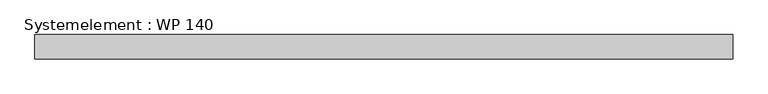
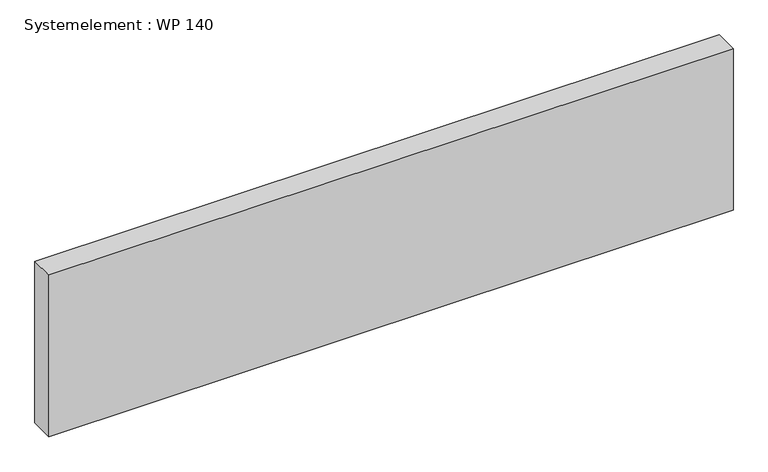
"""IFC4 building model written with IfcOpenShell, lengths in millimetres: plate geometry, Systemelement : WP 140."""

from ifc_helpers import new_model, si_unit, origin, origin_with_axes, place, context, project, spatial, polyline, outline, extrude, source, transform, mapped, element, save


def systemelement_wp_140_efeb4475(model_context):
    return source(origin(), model_context, "Body", "SweptSolid", [
        extrude(outline(polyline([(2000.0, -140.0), (-2000.0, -140.0), (-2000.0, 0.0), (2000.0, 0.0), (2000.0, -140.0)])), origin_with_axes(), (0.0, 0.0, 1.0), 1000.0),
    ])


if __name__ == "__main__":
    model = new_model("IFC4")
    model_context = context("Model", 3, world=origin())
    ifc_project = project(units=[si_unit("LENGTHUNIT", "METRE", prefix="MILLI")], contexts=[model_context])
    site = spatial("IfcSite", under=ifc_project)
    building = spatial("IfcBuilding", under=site)
    placement = place(None, origin())
    systemelement_wp_140_shape = systemelement_wp_140_efeb4475(model_context)
    element("IfcPlate", 1, ObjectType="Systemelement : WP 140", at=placement, inside=building, context=model_context, shape_type="MappedRepresentation", body=[
        mapped(systemelement_wp_140_shape, transform((0.0, 0.0, 0.0), x_axis=(1.0, 0.0, 0.0), y_axis=(0.0, 1.0, 0.0), z_axis=(0.0, 0.0, 1.0))),
    ])
    save(model, "model.ifc")
